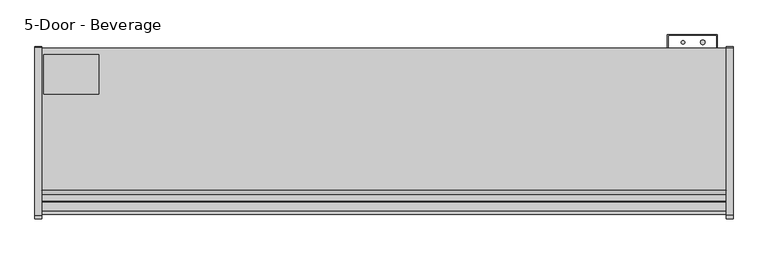
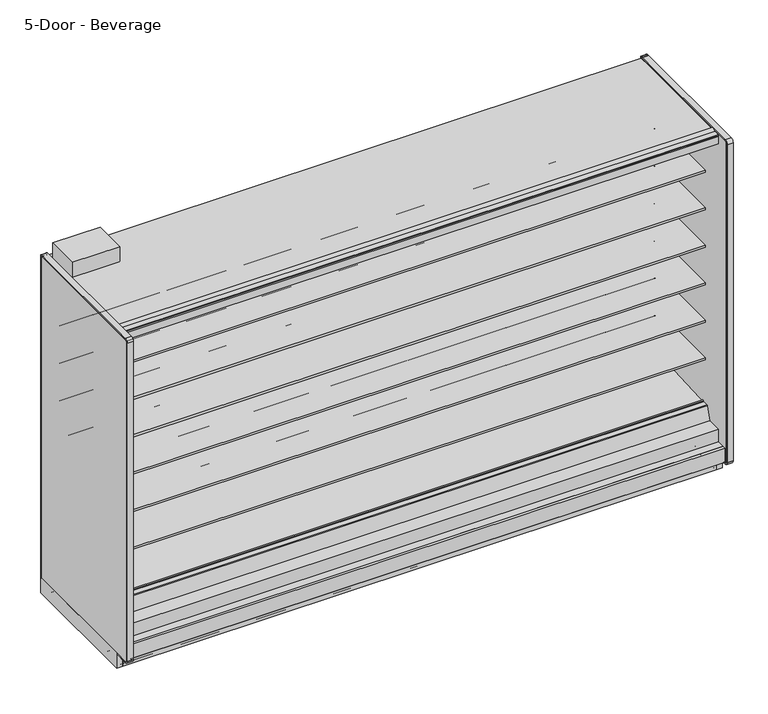
"""IFC4 building model written with IfcOpenShell, lengths in millimetres: proxy geometry, 5-Door - Beverage."""

from ifc_helpers import new_model, si_unit, point, frame, frame_2d, origin, origin_with_axes, place, context, project, spatial, polyline, circle_curve, trimmed, segment, composite_curve, outline, extrude, source, transform, mapped, element, save
from ifc_brep_helpers import plane_surface, cylinder_surface, revolved_surface, advanced_brep


def proxy_5_door_beverage_53d1a9ae(model_context):
    return source(origin(), model_context, "Body", "SolidModel", [
        extrude(outline(polyline([(3810.0, -1167.5349267), (3810.0, -1183.4099267), (0.0, -1183.4099267), (0.0, -1167.5349267), (3810.0, -1167.5349267)])), origin_with_axes(), (0.0, 0.0, 1.0), 105.16235),
        extrude(outline(polyline([(315.9000882, -386.7007273), (315.9000882, -605.1295388), (11.1115648, -605.1295388), (11.1115648, -386.7007273), (315.9000882, -386.7007273)])), frame((0.0, 0.0, 2282.825), z_axis=(0.0, 0.0, 1.0), x_axis=(1.0, 0.0, 0.0)), (0.0, 0.0, 1.0), 101.6),
        extrude(outline(composite_curve([segment(trimmed(circle_curve(frame_2d((3679.1930803, -317.2571273)), 12.7), [point((3666.4930803, -317.2571273))], [point((3691.8930803, -317.2571273))], False, "CARTESIAN"), True, "CONTINUOUS"), segment(trimmed(circle_curve(frame_2d((3679.1930803, -317.2571273)), 12.7), [point((3691.8930803, -317.2571273))], [point((3666.4930803, -317.2571273))], False, "CARTESIAN"), True, "CONTINUOUS")], self_intersect=False)), frame((0.0, 0.0, 1447.6965458), z_axis=(0.0, 0.0, 1.0), x_axis=(1.0, 0.0, 0.0)), (0.0, 0.0, 1.0), 508.0),
        extrude(outline(composite_curve([segment(trimmed(circle_curve(frame_2d((3569.2004524, -317.2571273)), 9.525), [point((3559.6754524, -317.2571273))], [point((3578.7254524, -317.2571273))], False, "CARTESIAN"), True, "CONTINUOUS"), segment(trimmed(circle_curve(frame_2d((3569.2004524, -317.2571273)), 9.525), [point((3578.7254524, -317.2571273))], [point((3559.6754524, -317.2571273))], False, "CARTESIAN"), True, "CONTINUOUS")], self_intersect=False)), frame((0.0, 0.0, 1447.6965458), z_axis=(0.0, 0.0, 1.0), x_axis=(1.0, 0.0, 0.0)), (0.0, 0.0, 1.0), 508.0),
        extrude(outline(composite_curve([segment(trimmed(circle_curve(frame_2d((3670.8004524, -526.8071273)), 9.525), [point((3661.2754524, -526.8071273))], [point((3680.3254524, -526.8071273))], False, "CARTESIAN"), True, "CONTINUOUS"), segment(trimmed(circle_curve(frame_2d((3670.8004524, -526.8071273)), 9.525), [point((3680.3254524, -526.8071273))], [point((3661.2754524, -526.8071273))], False, "CARTESIAN"), True, "CONTINUOUS")], self_intersect=False)), frame((0.0, 0.0, 57.8450688), z_axis=(0.0, 0.0, 1.0), x_axis=(1.0, 0.0, 0.0)), (0.0, 0.0, 1.0), 47.3172812),
        extrude(outline(composite_curve([segment(trimmed(circle_curve(frame_2d((3717.2930803, -526.8071273)), 12.7), [point((3704.5930803, -526.8071273))], [point((3729.9930803, -526.8071273))], False, "CARTESIAN"), True, "CONTINUOUS"), segment(trimmed(circle_curve(frame_2d((3717.2930803, -526.8071273)), 12.7), [point((3729.9930803, -526.8071273))], [point((3704.5930803, -526.8071273))], False, "CARTESIAN"), True, "CONTINUOUS")], self_intersect=False)), frame((0.0, 0.0, 57.8450688), z_axis=(0.0, 0.0, 1.0), x_axis=(1.0, 0.0, 0.0)), (0.0, 0.0, 1.0), 47.3172812),
        extrude(outline(composite_curve([segment(trimmed(circle_curve(frame_2d((1905.0, -945.9071273)), 38.1), [point((1866.9, -945.9071273))], [point((1943.1, -945.9071273))], False, "CARTESIAN"), True, "CONTINUOUS"), segment(trimmed(circle_curve(frame_2d((1905.0, -945.9071273)), 38.1), [point((1943.1, -945.9071273))], [point((1866.9, -945.9071273))], False, "CARTESIAN"), True, "CONTINUOUS")], self_intersect=False)), frame((0.0, 0.0, 57.8450688), z_axis=(0.0, 0.0, 1.0), x_axis=(1.0, 0.0, 0.0)), (0.0, 0.0, 1.0), 47.3172812),
        extrude(outline(polyline([(114.3, -411.7999572), (114.3, -462.5999572), (0.0, -462.5999572), (0.0, -411.7999572), (114.3, -411.7999572)])), frame((0.0, 0.0, 63.88735), z_axis=(0.0, 0.0, 1.0), x_axis=(1.0, 0.0, 0.0)), (0.0, 0.0, 1.0), 6.35),
        extrude(outline(polyline([(-349.0071273, 2231.5678), (-349.0071273, 105.16235), (-1256.6126273, 105.16235), (-1256.6126273, 201.2447768), (-1205.5205047, 201.2447768), (-1205.5205047, 169.3369447), (-1112.6665508, 150.0632248), (-401.0517273, 187.3573774), (-401.0517273, 2231.5678), (-349.0071273, 2231.5678)])), frame((0.0, 0.0, 0.0), z_axis=(1.0, 0.0, 0.0), x_axis=(0.0, 1.0, 0.0)), (0.0, 0.0, 1.0), 3810.0),
        advanced_brep(
        [(3810.0, -1018.871097, 105.16235), (3810.0, -1022.1071273, 101.9263197), (3810.0, -1022.1071273, 2.3876), (3810.0, -1019.7195273, 0.0), (3810.0, -982.0132273, 0.0), (3810.0, -982.0132273, 70.23735), (3810.0, -383.2457368, 70.23735), (3810.0, -383.2457368, 0.0), (3810.0, -351.3947273, 0.0), (3810.0, -349.0071273, 2.3876), (3810.0, -349.0071273, 100.830191), (3810.0, -353.3392863, 105.16235), (0.0, -1018.871097, 105.16235), (0.0, -353.3392863, 105.16235), (0.0, -349.0071273, 100.830191), (0.0, -349.0071273, 2.3876), (0.0, -351.3947273, 0.0), (0.0, -383.2457368, 0.0), (0.0, -383.2457368, 70.23735), (0.0, -982.0132273, 70.23735), (0.0, -982.0132273, 0.0), (0.0, -1019.7195273, 0.0), (0.0, -1022.1071273, 2.3876), (0.0, -1022.1071273, 101.9263197), (1955.8, -945.9071273, 105.16235), (1854.2, -945.9071273, 105.16235), (3746.5, -526.8071273, 105.16235), (3644.9, -526.8071273, 105.16235), (1869.2650095, -982.0132273, 70.23735), (1940.7349905, -982.0132273, 70.23735), (1955.8, -945.9071273, 70.23735), (1854.2, -945.9071273, 70.23735), (3644.9, -526.8071273, 70.23735), (3746.5, -526.8071273, 70.23735)],
        [
            (0, 1, circle_curve(frame((3810.0, -1018.871097, 101.9263197), z_axis=(1.0, 0.0, 0.0), x_axis=(0.0, 1.0, 0.0)), 3.2360303)),
            (1, 2),
            (2, 3, circle_curve(frame((3810.0, -1019.7195273, 2.3876), z_axis=(1.0, 0.0, 0.0), x_axis=(0.0, 1.0, 0.0)), 2.3876)),
            (3, 4),
            (4, 5),
            (5, 6),
            (6, 7),
            (7, 8),
            (8, 9, circle_curve(frame((3810.0, -351.3947273, 2.3876), z_axis=(1.0, 0.0, 0.0), x_axis=(0.0, 1.0, 0.0)), 2.3876)),
            (9, 10),
            (10, 11, circle_curve(frame((3810.0, -353.3392863, 100.830191), z_axis=(1.0, 0.0, 0.0), x_axis=(0.0, 1.0, 0.0)), 4.332159)),
            (11, 0),
            (12, 13),
            (13, 14, circle_curve(frame((0.0, -353.3392863, 100.830191), z_axis=(-1.0, 0.0, 0.0), x_axis=(0.0, 1.0, 0.0)), 4.332159)),
            (14, 15),
            (15, 16, circle_curve(frame((0.0, -351.3947273, 2.3876), z_axis=(-1.0, 0.0, 0.0), x_axis=(0.0, 1.0, 0.0)), 2.3876)),
            (16, 17),
            (17, 18),
            (18, 19),
            (19, 20),
            (20, 21),
            (21, 22, circle_curve(frame((0.0, -1019.7195273, 2.3876), z_axis=(-1.0, 0.0, 0.0), x_axis=(0.0, 1.0, 0.0)), 2.3876)),
            (22, 23),
            (23, 12, circle_curve(frame((0.0, -1018.871097, 101.9263197), z_axis=(-1.0, 0.0, 0.0), x_axis=(0.0, 1.0, 0.0)), 3.2360303)),
            (10, 14),
            (13, 11),
            (12, 0),
            (24, 25, circle_curve(frame((1905.0, -945.9071273, 105.16235), z_axis=(0.0, 0.0, -1.0), x_axis=(1.0, 0.0, 0.0)), 50.8)),
            (25, 24, circle_curve(frame((1905.0, -945.9071273, 105.16235), z_axis=(0.0, 0.0, -1.0), x_axis=(1.0, 0.0, 0.0)), 50.8)),
            (26, 27, circle_curve(frame((3695.7, -526.8071273, 105.16235), z_axis=(0.0, 0.0, -1.0), x_axis=(1.0, 0.0, 0.0)), 50.8)),
            (27, 26, circle_curve(frame((3695.7, -526.8071273, 105.16235), z_axis=(0.0, 0.0, -1.0), x_axis=(1.0, 0.0, 0.0)), 50.8)),
            (23, 1),
            (22, 2),
            (21, 3),
            (20, 4),
            (19, 28),
            (28, 29),
            (29, 5),
            (29, 30, circle_curve(frame((1905.0, -945.9071273, 70.23735), z_axis=(0.0, 0.0, 1.0), x_axis=(1.0, 0.0, 0.0)), 50.8)),
            (30, 31, circle_curve(frame((1905.0, -945.9071273, 70.23735), z_axis=(0.0, 0.0, 1.0), x_axis=(1.0, 0.0, 0.0)), 50.8)),
            (31, 28, circle_curve(frame((1905.0, -945.9071273, 70.23735), z_axis=(0.0, 0.0, 1.0), x_axis=(1.0, 0.0, 0.0)), 50.8)),
            (18, 6),
            (32, 33, circle_curve(frame((3695.7, -526.8071273, 70.23735), z_axis=(0.0, 0.0, 1.0), x_axis=(1.0, 0.0, 0.0)), 50.8)),
            (33, 32, circle_curve(frame((3695.7, -526.8071273, 70.23735), z_axis=(0.0, 0.0, 1.0), x_axis=(1.0, 0.0, 0.0)), 50.8)),
            (17, 7),
            (16, 8),
            (15, 9),
            (28, 29, circle_curve(frame((1905.0, -945.9071273, 70.23735), z_axis=(0.0, 0.0, 1.0), x_axis=(1.0, 0.0, 0.0)), 50.8)),
            (24, 30),
            (31, 25),
            (32, 27),
            (26, 33),
        ],
        [
            plane_surface(frame((3810.0, -1015.6350667, 101.9263197), z_axis=(1.0, 0.0, 0.0), x_axis=(0.0, 0.0, 1.0))),
            plane_surface(frame((0.0, -1015.6350667, 101.9263197), z_axis=(-1.0, 0.0, 0.0), x_axis=(0.0, 0.0, -1.0))),
            cylinder_surface(frame((0.0, -353.3392863, 100.830191), z_axis=(1.0, 0.0, 0.0), x_axis=(0.0, 1.0, 0.0)), 4.332159),
            plane_surface(frame((3810.0, -353.3392863, 105.16235), z_axis=(0.0, 0.0, 1.0), x_axis=(-1.0, 0.0, 0.0))),
            cylinder_surface(frame((0.0, -1018.871097, 101.9263197), z_axis=(1.0, 0.0, 0.0), x_axis=(0.0, 1.0, 0.0)), 3.2360303),
            plane_surface(frame((3810.0, -1022.1071273, 101.9263197), z_axis=(0.0, -1.0, 0.0), x_axis=(-1.0, 0.0, 0.0))),
            cylinder_surface(frame((0.0, -1019.7195273, 2.3876), z_axis=(1.0, 0.0, 0.0), x_axis=(0.0, 1.0, 0.0)), 2.3876),
            plane_surface(frame((3810.0, -1019.7195273, 0.0), z_axis=(0.0, 0.0, -1.0), x_axis=(-1.0, 0.0, 0.0))),
            plane_surface(frame((3810.0, -982.0132273, 0.0), z_axis=(0.0, 1.0, 0.0), x_axis=(-1.0, 0.0, 0.0))),
            plane_surface(frame((3810.0, -982.0132273, 70.23735), z_axis=(0.0, 0.0, -1.0), x_axis=(-1.0, 0.0, 0.0))),
            plane_surface(frame((3810.0, -383.2457368, 70.23735), z_axis=(0.0, -1.0, 0.0), x_axis=(-1.0, 0.0, 0.0))),
            plane_surface(frame((3810.0, -383.2457368, 0.0), z_axis=(0.0, 0.0, -1.0), x_axis=(-1.0, 0.0, 0.0))),
            cylinder_surface(frame((0.0, -351.3947273, 2.3876), z_axis=(1.0, 0.0, 0.0), x_axis=(0.0, 1.0, 0.0)), 2.3876),
            plane_surface(frame((1955.8, -945.9071273, 70.23735), z_axis=(0.0, 0.0, 1.0), x_axis=(0.0, -1.0, 0.0))),
            revolved_surface(polyline([(1955.8, -945.9071273, 105.16235), (1955.8, -945.9071273, 70.23735)]), (1905.0, -945.9071273, 70.23735), (0.0, 0.0, 1.0)),
            revolved_surface(polyline([(3746.5, -526.8071273, 105.16235), (3746.5, -526.8071273, 70.23735)]), (3695.7, -526.8071273, 0.0), (0.0, 0.0, 1.0)),
            plane_surface(frame((3810.0, -349.0071273, 2.3876), z_axis=(0.0, 1.0, 0.0), x_axis=(-1.0, 0.0, 0.0))),
        ],
        [
            (0, [[1, 2, 3, 4, 5, 6, 7, 8, 9, 10, 11, 12]]),
            (1, [[13, 14, 15, 16, 17, 18, 19, 20, 21, 22, 23, 24]]),
            (2, [[-11, 25, -14, 26]]),
            (3, [[-12, -26, -13, 27], [28, 29], [30, 31]]),
            (4, [[-1, -27, -24, 32]]),
            (5, [[-2, -32, -23, 33]]),
            (6, [[-3, -33, -22, 34]]),
            (7, [[-4, -34, -21, 35]]),
            (8, [[-5, -35, -20, 36, 37, 38]]),
            (9, [[-6, -38, 39, 40, 41, -36, -19, 42], [43, 44]]),
            (10, [[-7, -42, -18, 45]]),
            (11, [[-8, -45, -17, 46]]),
            (12, [[-9, -46, -16, 47]]),
            (13, [[48, -37]]),
            (14, [[49, -39, -48, -41, 50, -28]]),
            (14, [[-49, -29, -50, -40]]),
            (15, [[51, -30, 52, -43]]),
            (15, [[-51, -44, -52, -31]]),
            (16, [[-10, -47, -15, -25]]),
        ],
    ),
        extrude(outline(polyline([(3482.975, -349.0071273), (3482.975, -275.9821273), (3759.2, -275.9821273), (3759.2, -349.0071273), (3756.025, -349.0071273), (3756.025, -279.1571273), (3486.15, -279.1571273), (3486.15, -349.0071273), (3482.975, -349.0071273)])), frame((0.0, 0.0, 304.927), z_axis=(0.0, 0.0, 1.0), x_axis=(1.0, 0.0, 0.0)), (0.0, 0.0, 1.0), 1523.3666145),
        extrude(outline(composite_curve([segment(polyline([(-452.3089273, 610.906076), (-470.5727913, 610.5955195)]), True, "CONTINUOUS"), segment(trimmed(circle_curve(frame_2d((-471.0046274, 635.9918483)), 25.4), [point((-470.5727913, 610.5955195))], [point((-486.9819836, 616.2463656))], False, "CARTESIAN"), True, "CONTINUOUS"), segment(polyline([(-486.9819836, 616.2463656), (-504.8340447, 630.6916311)]), True, "CONTINUOUS"), segment(trimmed(circle_curve(frame_2d((-544.7774354, 581.3279244)), 63.5), [point((-504.8340447, 630.6916311))], [point((-536.8795542, 644.3348563))], True, "CARTESIAN"), True, "CONTINUOUS"), segment(polyline([(-536.8795542, 644.3348563), (-751.3282218, 668.0319937), (-752.8169983, 671.4725458), (-1061.9089273, 671.4725458), (-1061.9089273, 685.6965458), (-452.3089273, 685.6965458), (-452.3089273, 610.906076)]), True, "CONTINUOUS")], self_intersect=False)), frame((0.0, 0.0, 0.0), z_axis=(1.0, 0.0, 0.0), x_axis=(0.0, 1.0, 0.0)), (0.0, 0.0, 1.0), 3810.0),
        extrude(outline(composite_curve([segment(polyline([(-452.3089273, 864.906076), (-470.5727913, 864.5955195)]), True, "CONTINUOUS"), segment(trimmed(circle_curve(frame_2d((-471.0046274, 889.9918483)), 25.4), [point((-470.5727913, 864.5955195))], [point((-486.9819836, 870.2463656))], False, "CARTESIAN"), True, "CONTINUOUS"), segment(polyline([(-486.9819836, 870.2463656), (-504.8340447, 884.6916311)]), True, "CONTINUOUS"), segment(trimmed(circle_curve(frame_2d((-544.7774354, 835.3279244)), 63.5), [point((-504.8340447, 884.6916311))], [point((-536.8795542, 898.3348563))], True, "CARTESIAN"), True, "CONTINUOUS"), segment(polyline([(-536.8795542, 898.3348563), (-751.3282218, 922.0319937), (-752.8169983, 925.4725458), (-1061.9089273, 925.4725458), (-1061.9089273, 939.6965458), (-452.3089273, 939.6965458), (-452.3089273, 864.906076)]), True, "CONTINUOUS")], self_intersect=False)), frame((0.0, 0.0, 0.0), z_axis=(1.0, 0.0, 0.0), x_axis=(0.0, 1.0, 0.0)), (0.0, 0.0, 1.0), 3810.0),
        extrude(outline(composite_curve([segment(polyline([(-452.3089273, 1118.906076), (-470.5727913, 1118.5955195)]), True, "CONTINUOUS"), segment(trimmed(circle_curve(frame_2d((-471.0046274, 1143.9918483)), 25.4), [point((-470.5727913, 1118.5955195))], [point((-486.9819836, 1124.2463656))], False, "CARTESIAN"), True, "CONTINUOUS"), segment(polyline([(-486.9819836, 1124.2463656), (-504.8340447, 1138.6916311)]), True, "CONTINUOUS"), segment(trimmed(circle_curve(frame_2d((-544.7774354, 1089.3279244)), 63.5), [point((-504.8340447, 1138.6916311))], [point((-536.8795542, 1152.3348563))], True, "CARTESIAN"), True, "CONTINUOUS"), segment(polyline([(-536.8795542, 1152.3348563), (-751.3282218, 1176.0319937), (-752.8169983, 1179.4725458), (-1061.9089273, 1179.4725458), (-1061.9089273, 1193.6965458), (-452.3089273, 1193.6965458), (-452.3089273, 1118.906076)]), True, "CONTINUOUS")], self_intersect=False)), frame((0.0, 0.0, 0.0), z_axis=(1.0, 0.0, 0.0), x_axis=(0.0, 1.0, 0.0)), (0.0, 0.0, 1.0), 3810.0),
        extrude(outline(composite_curve([segment(polyline([(-452.3089273, 1372.906076), (-470.5727913, 1372.5955195)]), True, "CONTINUOUS"), segment(trimmed(circle_curve(frame_2d((-471.0046274, 1397.9918483)), 25.4), [point((-470.5727913, 1372.5955195))], [point((-486.9819836, 1378.2463656))], False, "CARTESIAN"), True, "CONTINUOUS"), segment(polyline([(-486.9819836, 1378.2463656), (-504.8340447, 1392.6916311)]), True, "CONTINUOUS"), segment(trimmed(circle_curve(frame_2d((-544.7774354, 1343.3279244)), 63.5), [point((-504.8340447, 1392.6916311))], [point((-536.8795542, 1406.3348563))], True, "CARTESIAN"), True, "CONTINUOUS"), segment(polyline([(-536.8795542, 1406.3348563), (-751.3282218, 1430.0319937), (-752.8169983, 1433.4725458), (-1061.9089273, 1433.4725458), (-1061.9089273, 1447.6965458), (-452.3089273, 1447.6965458), (-452.3089273, 1372.906076)]), True, "CONTINUOUS")], self_intersect=False)), frame((0.0, 0.0, 0.0), z_axis=(1.0, 0.0, 0.0), x_axis=(0.0, 1.0, 0.0)), (0.0, 0.0, 1.0), 3810.0),
        extrude(outline(composite_curve([segment(polyline([(-452.3089273, 1626.906076), (-470.5727913, 1626.5955195)]), True, "CONTINUOUS"), segment(trimmed(circle_curve(frame_2d((-471.0046274, 1651.9918483)), 25.4), [point((-470.5727913, 1626.5955195))], [point((-486.9819836, 1632.2463656))], False, "CARTESIAN"), True, "CONTINUOUS"), segment(polyline([(-486.9819836, 1632.2463656), (-504.8340447, 1646.6916311)]), True, "CONTINUOUS"), segment(trimmed(circle_curve(frame_2d((-544.7774354, 1597.3279244)), 63.5), [point((-504.8340447, 1646.6916311))], [point((-536.8795542, 1660.3348563))], True, "CARTESIAN"), True, "CONTINUOUS"), segment(polyline([(-536.8795542, 1660.3348563), (-751.3282218, 1684.0319937), (-752.8169983, 1687.4725458), (-1061.9089273, 1687.4725458), (-1061.9089273, 1701.6965458), (-452.3089273, 1701.6965458), (-452.3089273, 1626.906076)]), True, "CONTINUOUS")], self_intersect=False)), frame((0.0, 0.0, 0.0), z_axis=(1.0, 0.0, 0.0), x_axis=(0.0, 1.0, 0.0)), (0.0, 0.0, 1.0), 3810.0),
        extrude(outline(composite_curve([segment(polyline([(-452.3089273, 1880.906076), (-470.5727913, 1880.5955195)]), True, "CONTINUOUS"), segment(trimmed(circle_curve(frame_2d((-471.0046274, 1905.9918483)), 25.4), [point((-470.5727913, 1880.5955195))], [point((-486.9819836, 1886.2463656))], False, "CARTESIAN"), True, "CONTINUOUS"), segment(polyline([(-486.9819836, 1886.2463656), (-504.8340447, 1900.6916311)]), True, "CONTINUOUS"), segment(trimmed(circle_curve(frame_2d((-544.7774354, 1851.3279244)), 63.5), [point((-504.8340447, 1900.6916311))], [point((-536.8795542, 1914.3348563))], True, "CARTESIAN"), True, "CONTINUOUS"), segment(polyline([(-536.8795542, 1914.3348563), (-751.3282218, 1938.0319937), (-752.8169983, 1941.4725458), (-1061.9089273, 1941.4725458), (-1061.9089273, 1955.6965458), (-452.3089273, 1955.6965458), (-452.3089273, 1880.906076)]), True, "CONTINUOUS")], self_intersect=False)), frame((0.0, 0.0, 0.0), z_axis=(1.0, 0.0, 0.0), x_axis=(0.0, 1.0, 0.0)), (0.0, 0.0, 1.0), 3810.0),
        advanced_brep(
        [(3810.0, -562.1054156, 392.489408), (3810.0, -565.4345004, 395.3833373), (3810.0, -1028.1778581, 371.1319845), (3810.0, -1031.8816746, 374.3516629), (3810.0, -1032.3723429, 379.9600263), (3810.0, -1039.3602618, 380.0840123), (3810.0, -1037.6796074, 360.8740328), (3810.0, -1031.0214377, 355.0861739), (3810.0, -564.4043684, 379.5405382), (3810.0, -561.4040704, 382.9438378), (0.0, -562.1054156, 392.489408), (0.0, -561.4040704, 382.9438378), (0.0, -564.4043684, 379.5405382), (0.0, -1031.0214377, 355.0861739), (0.0, -1037.6796074, 360.8740328), (0.0, -1039.3602618, 380.0840123), (0.0, -1032.4336802, 379.95466), (0.0, -1031.8816746, 374.3516629), (0.0, -1028.1778581, 371.1319845), (0.0, -565.4345004, 395.3833373)],
        [
            (0, 1, circle_curve(frame((3810.0, -565.2683338, 392.2126885), z_axis=(1.0, 0.0, 0.0), x_axis=(0.0, 1.0, 0.0)), 3.175)),
            (1, 2),
            (2, 3, circle_curve(frame((3810.0, -1028.362729, 374.6595308), z_axis=(-1.0, 0.0, 0.0), x_axis=(0.0, 1.0, 0.0)), 3.5323874)),
            (3, 4),
            (4, 5, circle_curve(frame((3810.0, -1035.9038485, 379.6510595), z_axis=(1.0, 0.0, 0.0), x_axis=(0.0, 1.0, 0.0)), 3.4834238)),
            (5, 6),
            (6, 7, circle_curve(frame((3810.0, -1031.353771, 361.4274714), z_axis=(1.0, 0.0, 0.0), x_axis=(0.0, 1.0, 0.0)), 6.35)),
            (7, 8),
            (8, 9, circle_curve(frame((3810.0, -564.5705351, 382.711187), z_axis=(1.0, 0.0, 0.0), x_axis=(0.0, 1.0, 0.0)), 3.175)),
            (9, 0),
            (10, 11),
            (11, 12, circle_curve(frame((0.0, -564.5705351, 382.711187), z_axis=(-1.0, 0.0, 0.0), x_axis=(0.0, 1.0, 0.0)), 3.175)),
            (12, 13),
            (13, 14, circle_curve(frame((0.0, -1031.353771, 361.4274714), z_axis=(-1.0, 0.0, 0.0), x_axis=(0.0, 1.0, 0.0)), 6.35)),
            (14, 15),
            (15, 16, circle_curve(frame((0.0, -1035.9038485, 379.6510595), z_axis=(-1.0, 0.0, 0.0), x_axis=(0.0, 1.0, 0.0)), 3.4834238)),
            (16, 17),
            (17, 18, circle_curve(frame((0.0, -1028.362729, 374.6595308), z_axis=(1.0, 0.0, 0.0), x_axis=(0.0, 1.0, 0.0)), 3.5323874)),
            (18, 19),
            (19, 10, circle_curve(frame((0.0, -565.2683338, 392.2126885), z_axis=(-1.0, 0.0, 0.0), x_axis=(0.0, 1.0, 0.0)), 3.175)),
            (0, 10),
            (19, 1),
            (18, 2),
            (17, 3),
            (16, 4),
            (15, 5),
            (14, 6),
            (13, 7),
            (12, 8),
            (11, 9),
        ],
        [
            plane_surface(frame((3810.0, -562.0933338, 392.2126885), z_axis=(1.0, 0.0, 0.0), x_axis=(0.0, 0.0, 1.0))),
            plane_surface(frame((0.0, -562.0933338, 392.2126885), z_axis=(-1.0, 0.0, 0.0), x_axis=(0.0, 0.0, -1.0))),
            cylinder_surface(frame((0.0, -565.2683338, 392.2126885), z_axis=(1.0, 0.0, 0.0), x_axis=(0.0, 1.0, 0.0)), 3.175),
            plane_surface(frame((3810.0, -565.4345004, 395.3833373), z_axis=(0.0, -0.05233595857633936, 0.9986295346322859), x_axis=(-1.0, 0.0, 0.0))),
            revolved_surface(polyline([(0.0, -1024.8303415999999, 374.6595308), (3810.0, -1024.8303415999999, 374.6595308)]), (0.0, -1028.362729, 374.6595308), (-1.0, 0.0, 0.0)),
            plane_surface(frame((3810.0, -1031.8816746, 374.3516629), z_axis=(0.0, 0.9961946955698885, 0.08715577157261226), x_axis=(-1.0, 0.0, 0.0))),
            cylinder_surface(frame((0.0, -1035.9038485, 379.6510595), z_axis=(1.0, 0.0, 0.0), x_axis=(0.0, 1.0, 0.0)), 3.4834238),
            plane_surface(frame((3810.0, -1039.3602618, 380.0840123), z_axis=(0.0, -0.9961947025639891, -0.08715569162966595), x_axis=(-1.0, 0.0, 0.0))),
            cylinder_surface(frame((0.0, -1031.353771, 361.4274714), z_axis=(1.0, 0.0, 0.0), x_axis=(0.0, 1.0, 0.0)), 6.35),
            plane_surface(frame((3810.0, -1031.0214377, 355.0861739), z_axis=(0.0, 0.05233595624300962, -0.9986295347545704), x_axis=(-1.0, 0.0, 0.0))),
            cylinder_surface(frame((0.0, -564.5705351, 382.711187), z_axis=(1.0, 0.0, 0.0), x_axis=(0.0, 1.0, 0.0)), 3.175),
            plane_surface(frame((3810.0, -561.4040704, 382.9438378), z_axis=(0.0, 0.9973117114183065, 0.07327585050948633), x_axis=(-1.0, 0.0, 0.0))),
        ],
        [
            (0, [[1, 2, 3, 4, 5, 6, 7, 8, 9, 10]]),
            (1, [[11, 12, 13, 14, 15, 16, 17, 18, 19, 20]]),
            (2, [[-1, 21, -20, 22]]),
            (3, [[-2, -22, -19, 23]]),
            (4, [[-3, -23, -18, 24]]),
            (5, [[-4, -24, -17, 25]]),
            (6, [[-5, -25, -16, 26]]),
            (7, [[-6, -26, -15, 27]]),
            (8, [[-7, -27, -14, 28]]),
            (9, [[-8, -28, -13, 29]]),
            (10, [[-9, -29, -12, 30]]),
            (11, [[-10, -30, -11, -21]]),
        ],
    ),
        extrude(outline(composite_curve([segment(polyline([(-452.3089273, 2205.7106), (-1055.5314174, 2205.7106), (-1076.6649541, 2210.5896614), (-1079.1443307, 2198.9251118)]), True, "CONTINUOUS"), segment(trimmed(circle_curve(frame_2d((-1080.6350276, 2199.2419692)), 1.524), [point((-1079.1443307, 2198.9251118))], [point((-1080.9518851, 2197.7512722))], False, "CARTESIAN"), True, "CONTINUOUS"), segment(polyline([(-1080.9518851, 2197.7512722), (-1146.9989273, 2211.7900045), (-1146.9989273, 2210.4040825)]), True, "CONTINUOUS"), segment(trimmed(circle_curve(frame_2d((-1149.3773588, 2210.6131219)), 2.3876), [point((-1146.9989273, 2210.4040825))], [point((-1149.3773097, 2208.2255219))], False, "CARTESIAN"), True, "CONTINUOUS"), segment(polyline([(-1149.3773097, 2208.2255219), (-1160.0080838, 2208.2253035), (-1160.0080838, 2223.5012119), (-1205.5205273, 2223.5012119), (-1205.5205273, 2282.0376)]), True, "CONTINUOUS"), segment(trimmed(circle_curve(frame_2d((-1204.7331273, 2282.0376)), 0.7874), [point((-1205.5205273, 2282.0376))], [point((-1204.7331273, 2282.825))], False, "CARTESIAN"), True, "CONTINUOUS"), segment(polyline([(-1204.7331273, 2282.825), (-349.0071273, 2282.825), (-349.0071273, 2231.5678), (-452.3089273, 2231.5678), (-452.3089273, 2205.7106)]), True, "CONTINUOUS")], self_intersect=False)), frame((0.0, 0.0, 0.0), z_axis=(1.0, 0.0, 0.0), x_axis=(0.0, 1.0, 0.0)), (0.0, 0.0, 1.0), 3810.0),
        extrude(outline(composite_curve([segment(polyline([(-1263.5976273, 105.16235), (-1274.6466273, 105.16235)]), True, "CONTINUOUS"), segment(trimmed(circle_curve(frame_2d((-1274.6466273, 106.81335)), 1.651), [point((-1274.6466273, 105.16235))], [point((-1276.2976273, 106.81335))], False, "CARTESIAN"), True, "CONTINUOUS"), segment(polyline([(-1276.2976273, 106.81335), (-1276.2976273, 201.2447768), (-1256.6126273, 201.2447768), (-1256.6126273, 106.62285), (-1263.5976273, 106.62285), (-1263.5976273, 105.16235)]), True, "CONTINUOUS")], self_intersect=False)), frame((0.0, 0.0, 0.0), z_axis=(1.0, 0.0, 0.0), x_axis=(0.0, 1.0, 0.0)), (0.0, 0.0, 1.0), 3810.0),
        extrude(outline(composite_curve([segment(polyline([(-1205.5205047, 288.3361558), (-1111.5273572, 288.3361558), (-1083.6940162, 372.3488205)]), True, "CONTINUOUS"), segment(trimmed(circle_curve(frame_2d((-1077.6662092, 370.3518119)), 6.35), [point((-1083.6940162, 372.3488205))], [point((-1077.6662092, 376.7018119))], False, "CARTESIAN"), True, "CONTINUOUS"), segment(polyline([(-1077.6662092, 376.7018119), (-1043.9140632, 376.7018119)]), True, "CONTINUOUS"), segment(trimmed(circle_curve(frame_2d((-1043.9140632, 372.471676)), 4.2301359), [point((-1043.9140632, 376.7018119))], [point((-1039.6839273, 372.471676))], False, "CARTESIAN"), True, "CONTINUOUS"), segment(polyline([(-1039.6839273, 372.471676), (-1039.6839273, 354.632192), (-560.553361, 379.742361), (-560.9721481, 391.7348557)]), True, "CONTINUOUS"), segment(trimmed(circle_curve(frame_2d((-556.4536725, 391.8926443)), 4.5212298), [point((-560.9721481, 391.7348557))], [point((-556.6114611, 396.41112))], False, "CARTESIAN"), True, "CONTINUOUS"), segment(polyline([(-556.6114611, 396.41112), (-470.3276537, 399.4242169)]), True, "CONTINUOUS"), segment(trimmed(circle_curve(frame_2d((-470.3772309, 400.8439205)), 1.420569), [point((-470.3276537, 399.4242169))], [point((-468.9575273, 400.8934976))], True, "CARTESIAN"), True, "CONTINUOUS"), segment(polyline([(-468.9575273, 400.8934976), (-469.2184151, 408.3643476)]), True, "CONTINUOUS"), segment(trimmed(circle_curve(frame_2d((-467.1682375, 408.4359413)), 2.0514273), [point((-469.2184151, 408.3643476))], [point((-467.2398313, 410.486119))], False, "CARTESIAN"), True, "CONTINUOUS"), segment(polyline([(-467.2398313, 410.486119), (-452.3089273, 411.0075176), (-452.3089273, 263.5334166), (-401.0517273, 263.5334166), (-401.0517273, 187.3573774), (-1112.6665508, 150.0632248), (-1205.5205047, 169.3369447), (-1205.5205047, 288.3361558)]), True, "CONTINUOUS")], self_intersect=False)), frame((0.0, 0.0, 0.0), z_axis=(1.0, 0.0, 0.0), x_axis=(0.0, 1.0, 0.0)), (0.0, 0.0, 1.0), 3810.0),
        extrude(outline(polyline([(3810.0, -401.0517273), (3810.0, -452.3089273), (0.0, -452.3089273), (0.0, -401.0517273), (3810.0, -401.0517273)])), frame((0.0, 0.0, 263.5334166), z_axis=(0.0, 0.0, 1.0), x_axis=(1.0, 0.0, 0.0)), (0.0, 0.0, 1.0), 1968.0343834),
        extrude(outline(composite_curve([segment(polyline([(-996.7011791, 30.0863), (-1022.1071273, 30.150134), (-1022.1071273, 1.512412), (-1162.480805, 1.5240398)]), True, "CONTINUOUS"), segment(trimmed(circle_curve(frame_2d((-1162.4803863, 6.5785802)), 5.0545404), [point((-1162.480805, 1.5240398))], [point((-1167.5349267, 6.5785802))], False, "CARTESIAN"), True, "CONTINUOUS"), segment(polyline([(-1167.5349267, 6.5785802), (-1167.5349267, 105.16235), (-996.7011791, 105.16235), (-996.7011791, 30.0863)]), True, "CONTINUOUS")], self_intersect=False)), frame((0.0, 0.0, 0.0), z_axis=(1.0, 0.0, 0.0), x_axis=(0.0, 1.0, 0.0)), (0.0, 0.0, 1.0), 3810.0),
        extrude(outline(composite_curve([segment(polyline([(-981.2258273, 0.0), (-1016.1381273, 0.0)]), True, "CONTINUOUS"), segment(trimmed(circle_curve(frame_2d((-1016.1381273, 5.1562)), 5.1562), [point((-1016.1381273, 0.0))], [point((-1021.2943273, 5.1562))], False, "CARTESIAN"), True, "CONTINUOUS"), segment(polyline([(-1021.2943273, 5.1562), (-1021.2943273, 24.892), (-1018.5257273, 24.892), (-1018.5257273, 5.1562)]), True, "CONTINUOUS"), segment(trimmed(circle_curve(frame_2d((-1016.1381273, 5.1562)), 2.3876), [point((-1018.5257273, 5.1562))], [point((-1016.1381273, 2.7686))], True, "CARTESIAN"), True, "CONTINUOUS"), segment(polyline([(-1016.1381273, 2.7686), (-981.2258273, 2.7686)]), True, "CONTINUOUS"), segment(trimmed(circle_curve(frame_2d((-981.2258273, 5.1562)), 2.3876), [point((-981.2258273, 2.7686))], [point((-978.8382273, 5.1562))], True, "CARTESIAN"), True, "CONTINUOUS"), segment(polyline([(-978.8382273, 5.1562), (-978.8382273, 20.5359)]), True, "CONTINUOUS"), segment(trimmed(circle_curve(frame_2d((-973.6820273, 20.5359)), 5.1562), [point((-978.8382273, 20.5359))], [point((-973.6820273, 25.6921))], False, "CARTESIAN"), True, "CONTINUOUS"), segment(polyline([(-973.6820273, 25.6921), (-962.4552273, 25.6921)]), True, "CONTINUOUS"), segment(trimmed(circle_curve(frame_2d((-962.4552273, 20.5359)), 5.1562), [point((-962.4552273, 25.6921))], [point((-957.2990273, 20.5359))], False, "CARTESIAN"), True, "CONTINUOUS"), segment(polyline([(-957.2990273, 20.5359), (-957.2990273, 5.1054), (-960.0676273, 5.1054), (-960.0676273, 20.5359)]), True, "CONTINUOUS"), segment(trimmed(circle_curve(frame_2d((-962.4552273, 20.5359)), 2.3876), [point((-960.0676273, 20.5359))], [point((-962.4552273, 22.9235))], True, "CARTESIAN"), True, "CONTINUOUS"), segment(polyline([(-962.4552273, 22.9235), (-973.6820273, 22.9235)]), True, "CONTINUOUS"), segment(trimmed(circle_curve(frame_2d((-973.6820273, 20.5359)), 2.3876), [point((-973.6820273, 22.9235))], [point((-976.0696273, 20.5359))], True, "CARTESIAN"), True, "CONTINUOUS"), segment(polyline([(-976.0696273, 20.5359), (-976.0696273, 5.1562)]), True, "CONTINUOUS"), segment(trimmed(circle_curve(frame_2d((-981.2258273, 5.1562)), 5.1562), [point((-976.0696273, 5.1562))], [point((-981.2258273, 0.0))], False, "CARTESIAN"), True, "CONTINUOUS")], self_intersect=False)), frame((0.0, 0.0, 0.0), z_axis=(1.0, 0.0, 0.0), x_axis=(0.0, 1.0, 0.0)), (0.0, 0.0, 1.0), 3810.0),
        extrude(outline(composite_curve([segment(trimmed(circle_curve(frame_2d((-389.0756273, 5.1562)), 5.1562), [point((-389.0756273, 0.0))], [point((-394.2318273, 5.1562))], False, "CARTESIAN"), True, "CONTINUOUS"), segment(polyline([(-394.2318273, 5.1562), (-394.2318273, 20.5359)]), True, "CONTINUOUS"), segment(trimmed(circle_curve(frame_2d((-396.6194273, 20.5359)), 2.3876), [point((-394.2318273, 20.5359))], [point((-396.6194273, 22.9235))], True, "CARTESIAN"), True, "CONTINUOUS"), segment(polyline([(-396.6194273, 22.9235), (-407.8462273, 22.9235)]), True, "CONTINUOUS"), segment(trimmed(circle_curve(frame_2d((-407.8462273, 20.5359)), 2.3876), [point((-407.8462273, 22.9235))], [point((-410.2338273, 20.5359))], True, "CARTESIAN"), True, "CONTINUOUS"), segment(polyline([(-410.2338273, 20.5359), (-410.2338273, 5.1054), (-413.0024273, 5.1054), (-413.0024273, 20.5359)]), True, "CONTINUOUS"), segment(trimmed(circle_curve(frame_2d((-407.8462273, 20.5359)), 5.1562), [point((-413.0024273, 20.5359))], [point((-407.8462273, 25.6921))], False, "CARTESIAN"), True, "CONTINUOUS"), segment(polyline([(-407.8462273, 25.6921), (-396.6194273, 25.6921)]), True, "CONTINUOUS"), segment(trimmed(circle_curve(frame_2d((-396.6194273, 20.5359)), 5.1562), [point((-396.6194273, 25.6921))], [point((-391.4632273, 20.5359))], False, "CARTESIAN"), True, "CONTINUOUS"), segment(polyline([(-391.4632273, 20.5359), (-391.4632273, 5.1562)]), True, "CONTINUOUS"), segment(trimmed(circle_curve(frame_2d((-389.0756273, 5.1562)), 2.3876), [point((-391.4632273, 5.1562))], [point((-389.0756273, 2.7686))], True, "CARTESIAN"), True, "CONTINUOUS"), segment(polyline([(-389.0756273, 2.7686), (-354.1633273, 2.7686)]), True, "CONTINUOUS"), segment(trimmed(circle_curve(frame_2d((-354.1633273, 5.1562)), 2.3876), [point((-354.1633273, 2.7686))], [point((-351.7757273, 5.1562))], True, "CARTESIAN"), True, "CONTINUOUS"), segment(polyline([(-351.7757273, 5.1562), (-351.7757273, 24.892), (-349.0071273, 24.892), (-349.0071273, 5.1562)]), True, "CONTINUOUS"), segment(trimmed(circle_curve(frame_2d((-354.1633273, 5.1562)), 5.1562), [point((-349.0071273, 5.1562))], [point((-354.1633273, 0.0))], False, "CARTESIAN"), True, "CONTINUOUS"), segment(polyline([(-354.1633273, 0.0), (-389.0756273, 0.0)]), True, "CONTINUOUS")], self_intersect=False)), frame((0.0, 0.0, 0.0), z_axis=(1.0, 0.0, 0.0), x_axis=(0.0, 1.0, 0.0)), (0.0, 0.0, 1.0), 3810.0),
        extrude(outline(composite_curve([segment(polyline([(-1144.001082, 2296.5368641), (-1143.416882, 2295.525), (-1164.9600823, 2283.0870275)]), True, "CONTINUOUS"), segment(trimmed(circle_curve(frame_2d((-1165.9379823, 2284.7808)), 1.9558), [point((-1164.9600823, 2283.0870275))], [point((-1165.9379823, 2282.825))], False, "CARTESIAN"), True, "CONTINUOUS"), segment(polyline([(-1165.9379823, 2282.825), (-1204.7331273, 2282.825)]), True, "CONTINUOUS"), segment(trimmed(circle_curve(frame_2d((-1204.7331273, 2282.0376)), 0.7874), [point((-1204.7331273, 2282.825))], [point((-1205.5205273, 2282.0376))], True, "CARTESIAN"), True, "CONTINUOUS"), segment(polyline([(-1205.5205273, 2282.0376), (-1205.5205273, 2273.7945109), (-1206.6889273, 2273.7945109), (-1206.6889273, 2282.0376)]), True, "CONTINUOUS"), segment(trimmed(circle_curve(frame_2d((-1204.7331273, 2282.0376)), 1.9558), [point((-1206.6889273, 2282.0376))], [point((-1204.7331273, 2283.9934))], False, "CARTESIAN"), True, "CONTINUOUS"), segment(polyline([(-1204.7331273, 2283.9934), (-1166.4578095, 2283.9934)]), True, "CONTINUOUS"), segment(trimmed(circle_curve(frame_2d((-1166.4578095, 2286.7208214)), 2.7274214), [point((-1166.4578095, 2283.9934))], [point((-1165.0940988, 2284.3588052))], True, "CARTESIAN"), True, "CONTINUOUS"), segment(polyline([(-1165.0940988, 2284.3588052), (-1144.001082, 2296.5368641)]), True, "CONTINUOUS")], self_intersect=False)), frame((0.0, 0.0, 0.0), z_axis=(1.0, 0.0, 0.0), x_axis=(0.0, 1.0, 0.0)), (0.0, 0.0, 1.0), 3810.0),
        extrude(outline(polyline([(3848.1, -341.3672835), (3848.1, -1183.4099267), (3810.0, -1183.4099267), (3810.0, -341.3672835), (3848.1, -341.3672835)])), origin_with_axes(), (0.0, 0.0, 1.0), 105.16235),
        extrude(outline(composite_curve([segment(trimmed(circle_curve(frame_2d((-1282.3671768, 117.86235)), 12.7), [point((-1295.0671768, 117.86235))], [point((-1282.3671768, 105.16235))], True, "CARTESIAN"), True, "CONTINUOUS"), segment(polyline([(-1282.3671768, 105.16235), (-1183.4099267, 105.16235), (-1183.4099267, 97.5225063), (-1282.3671768, 97.5225063)]), True, "CONTINUOUS"), segment(trimmed(circle_curve(frame_2d((-1282.3671768, 117.86235)), 20.3398438), [point((-1282.3671768, 97.5225063))], [point((-1302.7070205, 117.86235))], False, "CARTESIAN"), True, "CONTINUOUS"), segment(polyline([(-1302.7070205, 117.86235), (-1302.7070205, 2276.475)]), True, "CONTINUOUS"), segment(trimmed(circle_curve(frame_2d((-1282.3671768, 2276.475)), 20.3398437), [point((-1302.7070205, 2276.475))], [point((-1282.3671768, 2296.8148438))], False, "CARTESIAN"), True, "CONTINUOUS"), segment(polyline([(-1282.3671768, 2296.8148438), (-347.7172835, 2296.8148438)]), True, "CONTINUOUS"), segment(trimmed(circle_curve(frame_2d((-347.7172835, 2290.4648438)), 6.35), [point((-347.7172835, 2296.8148438))], [point((-341.3672835, 2290.4648438))], False, "CARTESIAN"), True, "CONTINUOUS"), segment(polyline([(-341.3672835, 2290.4648438), (-341.3672835, 105.16235), (-349.0071273, 105.16235), (-349.0071273, 2282.825)]), True, "CONTINUOUS"), segment(trimmed(circle_curve(frame_2d((-355.3571273, 2282.825)), 6.35), [point((-349.0071273, 2282.825))], [point((-355.3571273, 2289.175))], True, "CARTESIAN"), True, "CONTINUOUS"), segment(polyline([(-355.3571273, 2289.175), (-1282.3671768, 2289.175)]), True, "CONTINUOUS"), segment(trimmed(circle_curve(frame_2d((-1282.3671768, 2276.475)), 12.7), [point((-1282.3671768, 2289.175))], [point((-1295.0671768, 2276.475))], True, "CARTESIAN"), True, "CONTINUOUS"), segment(polyline([(-1295.0671768, 2276.475), (-1295.0671768, 117.86235)]), True, "CONTINUOUS")], self_intersect=False)), frame((3810.0, 0.0, 0.0), z_axis=(1.0, 0.0, 0.0), x_axis=(0.0, 1.0, 0.0)), (0.0, 0.0, 1.0), 38.1),
        extrude(outline(composite_curve([segment(polyline([(-1282.3671768, 2289.175), (-355.3571273, 2289.175)]), True, "CONTINUOUS"), segment(trimmed(circle_curve(frame_2d((-355.3571273, 2282.825)), 6.35), [point((-355.3571273, 2289.175))], [point((-349.0071273, 2282.825))], False, "CARTESIAN"), True, "CONTINUOUS"), segment(polyline([(-349.0071273, 2282.825), (-349.0071273, 105.16235), (-1282.3671768, 105.16235)]), True, "CONTINUOUS"), segment(trimmed(circle_curve(frame_2d((-1282.3671768, 117.86235)), 12.7), [point((-1282.3671768, 105.16235))], [point((-1295.0671768, 117.86235))], False, "CARTESIAN"), True, "CONTINUOUS"), segment(polyline([(-1295.0671768, 117.86235), (-1295.0671768, 2276.475)]), True, "CONTINUOUS"), segment(trimmed(circle_curve(frame_2d((-1282.3671768, 2276.475)), 12.7), [point((-1295.0671768, 2276.475))], [point((-1282.3671768, 2289.175))], False, "CARTESIAN"), True, "CONTINUOUS")], self_intersect=False)), frame((3810.0, 0.0, 0.0), z_axis=(1.0, 0.0, 0.0), x_axis=(0.0, 1.0, 0.0)), (0.0, 0.0, 1.0), 38.1),
        extrude(outline(polyline([(0.0, -341.3672835), (0.0, -1183.4099267), (-38.1, -1183.4099267), (-38.1, -341.3672835), (0.0, -341.3672835)])), origin_with_axes(), (0.0, 0.0, 1.0), 105.16235),
        extrude(outline(composite_curve([segment(trimmed(circle_curve(frame_2d((-1282.3671768, 2276.475)), 12.7), [point((-1282.3671768, 2289.175))], [point((-1295.0671768, 2276.475))], True, "CARTESIAN"), True, "CONTINUOUS"), segment(polyline([(-1295.0671768, 2276.475), (-1295.0671768, 117.86235)]), True, "CONTINUOUS"), segment(trimmed(circle_curve(frame_2d((-1282.3671768, 117.86235)), 12.7), [point((-1295.0671768, 117.86235))], [point((-1282.3671768, 105.16235))], True, "CARTESIAN"), True, "CONTINUOUS"), segment(polyline([(-1282.3671768, 105.16235), (-1183.4099267, 105.16235), (-1183.4099267, 97.5225063), (-1282.3671768, 97.5225063)]), True, "CONTINUOUS"), segment(trimmed(circle_curve(frame_2d((-1282.3671768, 117.86235)), 20.3398438), [point((-1282.3671768, 97.5225063))], [point((-1302.7070205, 117.86235))], False, "CARTESIAN"), True, "CONTINUOUS"), segment(polyline([(-1302.7070205, 117.86235), (-1302.7070205, 2276.475)]), True, "CONTINUOUS"), segment(trimmed(circle_curve(frame_2d((-1282.3671768, 2276.475)), 20.3398437), [point((-1302.7070205, 2276.475))], [point((-1282.3671768, 2296.8148438))], False, "CARTESIAN"), True, "CONTINUOUS"), segment(polyline([(-1282.3671768, 2296.8148438), (-347.7172835, 2296.8148438)]), True, "CONTINUOUS"), segment(trimmed(circle_curve(frame_2d((-347.7172835, 2290.4648438)), 6.35), [point((-347.7172835, 2296.8148438))], [point((-341.3672835, 2290.4648438))], False, "CARTESIAN"), True, "CONTINUOUS"), segment(polyline([(-341.3672835, 2290.4648438), (-341.3672835, 105.16235), (-349.0071273, 105.16235), (-349.0071273, 2282.825)]), True, "CONTINUOUS"), segment(trimmed(circle_curve(frame_2d((-355.3571273, 2282.825)), 6.35), [point((-349.0071273, 2282.825))], [point((-355.3571273, 2289.175))], True, "CARTESIAN"), True, "CONTINUOUS"), segment(polyline([(-355.3571273, 2289.175), (-1282.3671768, 2289.175)]), True, "CONTINUOUS")], self_intersect=False)), frame((-38.1, 0.0, 0.0), z_axis=(1.0, 0.0, 0.0), x_axis=(0.0, 1.0, 0.0)), (0.0, 0.0, 1.0), 38.1),
        extrude(outline(composite_curve([segment(polyline([(-1282.3671768, 2289.175), (-355.3571273, 2289.175)]), True, "CONTINUOUS"), segment(trimmed(circle_curve(frame_2d((-355.3571273, 2282.825)), 6.35), [point((-355.3571273, 2289.175))], [point((-349.0071273, 2282.825))], False, "CARTESIAN"), True, "CONTINUOUS"), segment(polyline([(-349.0071273, 2282.825), (-349.0071273, 105.16235), (-1282.3671768, 105.16235)]), True, "CONTINUOUS"), segment(trimmed(circle_curve(frame_2d((-1282.3671768, 117.86235)), 12.7), [point((-1282.3671768, 105.16235))], [point((-1295.0671768, 117.86235))], False, "CARTESIAN"), True, "CONTINUOUS"), segment(polyline([(-1295.0671768, 117.86235), (-1295.0671768, 2276.475)]), True, "CONTINUOUS"), segment(trimmed(circle_curve(frame_2d((-1282.3671768, 2276.475)), 12.7), [point((-1295.0671768, 2276.475))], [point((-1282.3671768, 2289.175))], False, "CARTESIAN"), True, "CONTINUOUS")], self_intersect=False)), frame((-38.1, 0.0, 0.0), z_axis=(1.0, 0.0, 0.0), x_axis=(0.0, 1.0, 0.0)), (0.0, 0.0, 1.0), 38.1),
    ])


if __name__ == "__main__":
    model = new_model("IFC4")
    model_context = context("Model", 3, world=origin())
    ifc_project = project(units=[si_unit("LENGTHUNIT", "METRE", prefix="MILLI")], contexts=[model_context])
    site = spatial("IfcSite", under=ifc_project)
    building = spatial("IfcBuilding", under=site)
    placement = place(None, origin())
    proxy_5_door_beverage_shape = proxy_5_door_beverage_53d1a9ae(model_context)
    element("IfcBuildingElementProxy", 1, Name="5-Door - Beverage", ObjectType="5-Door - Beverage", at=placement, inside=building, context=model_context, shape_type="MappedRepresentation", body=[
        mapped(proxy_5_door_beverage_shape, transform((0.0, 0.0, 0.0), x_axis=(1.0, 0.0, 0.0), y_axis=(0.0, 1.0, 0.0), z_axis=(0.0, 0.0, 1.0))),
    ])
    save(model, "model.ifc")
